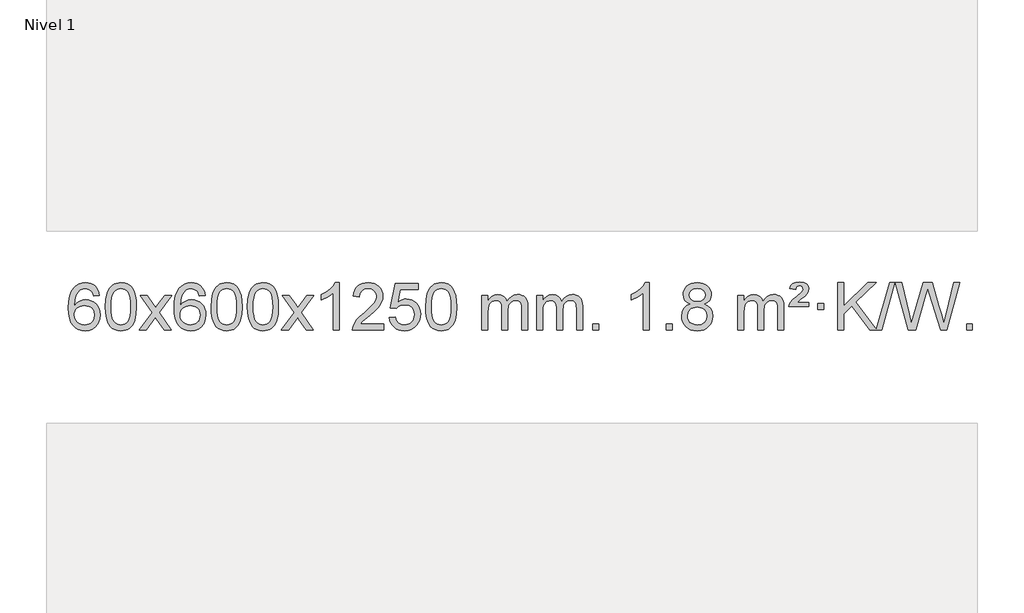
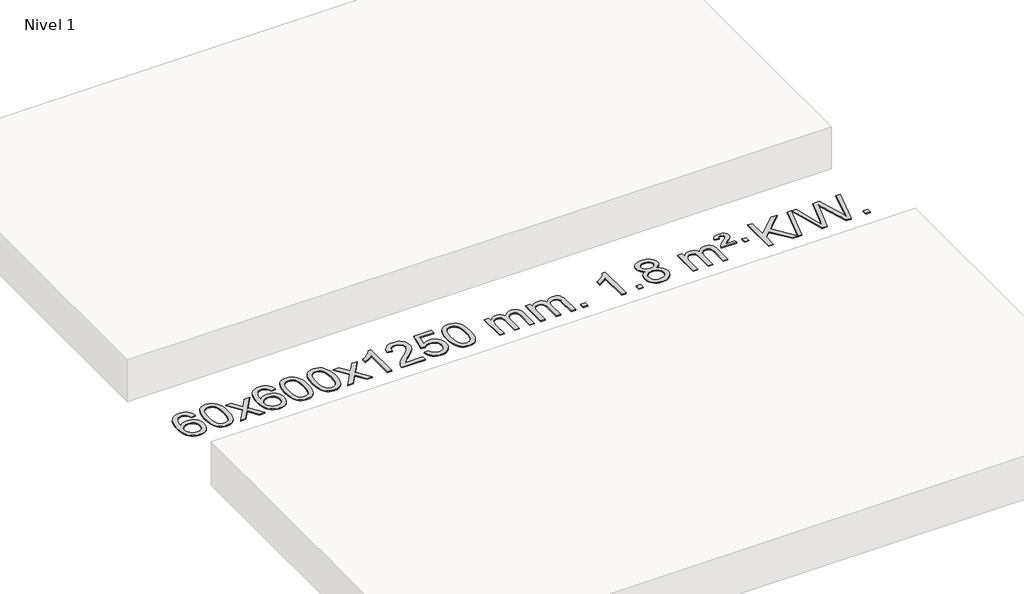
# One storey, part 7 of 7: 1 proxy.
"""IFC4 building model written with IfcOpenShell, lengths in millimetres."""

from ifc_helpers import new_model, si_unit, origin, origin_with_axes, place, context, project, spatial, polyline, outline, extrude, element, save

model = new_model("IFC4")

# Units and contexts
model_context = context("Model", 3, world=origin())
ifc_project = project(units=[si_unit("LENGTHUNIT", "METRE", prefix="MILLI")], contexts=[model_context])

# Site, building, storey
site = spatial("IfcSite", under=ifc_project)
building = spatial("IfcBuilding", under=site)
storey = spatial("IfcBuildingStorey", under=building, Name="Nivel 1", Elevation=0.0)

# Proxy
placement = place(None, origin())
element("IfcBuildingElementProxy", 1, Name="Texto de modelo 1", ObjectType="Texto de modelo 1", at=placement, inside=storey, context=model_context, shape_type="SweptSolid", body=[
    extrude(outline(polyline([(-12868.7310862, -889.5264458), (-12918.9592412, -895.8049652), (-12927.0526451, -870.9116168), (-12937.9910031, -853.9154687), (-12960.7751614, -838.2436957), (-12988.3172601, -833.0197713), (-13011.665504, -836.0609292), (-13033.6403219, -845.1844027), (-13052.5126682, -864.4001055), (-13067.9269238, -890.850821), (-13078.3379843, -928.2644199), (-13082.2007452, -980.3687731), (-13062.0530746, -956.8611137), (-13037.907753, -940.2941611), (-13011.113681, -930.4717119), (-12983.0197593, -927.1975621), (-12958.8867005, -929.4355109), (-12936.617577, -936.1493573), (-12916.212389, -947.3391013), (-12897.6711365, -963.004743), (-12882.2630122, -982.2143145), (-12871.2572092, -1004.0358482), (-12864.6537274, -1028.469344), (-12862.4525668, -1055.514802), (-12866.5973706, -1091.4813984), (-12879.031782, -1124.8237699), (-12898.7257315, -1153.1016326), (-12924.6491494, -1173.8747026), (-12955.6248134, -1186.6402078), (-12990.4755011, -1190.8953763), (-13020.4180298, -1188.0749476), (-13047.4604222, -1179.6136617), (-13071.6026781, -1165.5115186), (-13092.8447976, -1145.7685182), (-13110.1628426, -1119.5507947), (-13122.5328746, -1086.0244822), (-13129.9548939, -1045.1895807), (-13132.4289003, -997.0460903), (-13129.6820481, -943.0716702), (-13121.4414914, -897.006713), (-13107.7072302, -858.8512188), (-13088.4792646, -828.6051874), (-13067.6387496, -808.56175), (-13043.4750339, -794.2450091), (-13015.9881175, -785.6549645), (-12985.1780004, -782.7916163), (-12962.0443542, -784.5635812), (-12941.1057374, -789.879476), (-12922.3621497, -798.7393008), (-12905.8135913, -811.1430554), (-12891.9076519, -826.6738069), (-12881.0919212, -844.9146225), (-12873.3663993, -865.8655021), (-12868.7310862, -889.5264458)]), holes=[polyline([(-13082.2007452, -1054.7299871), (-13079.2944775, -1076.9868478), (-13070.5756742, -1098.2381644), (-13057.0376168, -1116.5096368), (-13039.6735866, -1129.8269651), (-13018.7165756, -1137.9571571), (-12994.3995757, -1140.6672212), (-12961.253408, -1135.0508894), (-12947.3382715, -1128.0304746), (-12935.1951, -1118.201894), (-12925.3450595, -1105.9636863), (-12918.3093164, -1091.7143904), (-12912.6807219, -1057.1825337), (-12918.23574, -1024.036366), (-12925.1795126, -1010.4155351), (-12934.9007944, -998.7628729), (-12947.0807541, -989.4278673), (-12961.4005608, -982.7600061), (-12996.4597149, -977.4257172), (-13029.5568317, -982.7600061), (-13057.2338205, -998.7628729), (-13068.1568501, -1010.2622509), (-13075.9590141, -1023.4232293), (-13080.6403124, -1038.245808), (-13082.2007452, -1054.7299871)])]), origin_with_axes(), (0.0, 0.0, 1.0), 10.0),
    extrude(outline(polyline([(-12818.5029311, -986.9415981), (-12814.8118484, -922.6235626), (-12803.7386004, -871.3285498), (-12785.3935515, -832.2717446), (-12773.5354886, -817.0383643), (-12759.8870665, -804.6683323), (-12744.4023002, -795.097269), (-12727.0352044, -788.2607953), (-12686.654024, -782.7916163), (-12655.7028855, -786.0289778), (-12627.9891085, -795.7410625), (-12604.8125428, -811.5477256), (-12587.4730381, -833.0688223), (-12574.3764391, -860.1204117), (-12563.9285904, -892.5185527), (-12557.0859853, -933.6600225), (-12554.805117, -986.9415981), (-12558.4594114, -1050.8917516), (-12569.4222949, -1102.0641372), (-12587.6569791, -1141.1577305), (-12599.487451, -1156.437096), (-12613.1266759, -1168.8715075), (-12628.6298363, -1178.5069501), (-12646.0521145, -1185.3894091), (-12686.654024, -1190.8953763), (-12714.3187501, -1188.5041433), (-12738.8442164, -1181.3304444), (-12760.2304231, -1169.3742795), (-12778.47737, -1152.6356488), (-12795.988553, -1122.3773547), (-12808.4965408, -1084.6755815), (-12816.0013335, -1039.5303293), (-12818.5029311, -986.9415981)]), holes=[polyline([(-12768.274776, -986.8434963), (-12766.803248, -1030.5080234), (-12762.3886641, -1065.8522861), (-12755.0310242, -1092.8762843), (-12744.7303283, -1111.5800181), (-12732.2713914, -1124.3056694), (-12718.4390284, -1133.3954204), (-12703.2332393, -1138.849271), (-12686.654024, -1140.6672212), (-12670.0748088, -1138.8431396), (-12654.8690196, -1133.3708949), (-12641.0366566, -1124.2504871), (-12628.5777197, -1111.4819162), (-12618.2770239, -1092.7475256), (-12610.919384, -1065.7296588), (-12606.5048, -1030.4283156), (-12605.033272, -986.8434963), (-12606.4557491, -944.3347317), (-12610.7231802, -909.6128027), (-12617.8355655, -882.6777093), (-12627.7929048, -863.5294515), (-12640.0433752, -850.1814664), (-12654.0351538, -840.6471914), (-12669.7682404, -834.9266264), (-12687.2426352, -833.0197713), (-12703.7360113, -834.6997658), (-12718.6842831, -839.7397491), (-12732.0874504, -848.1397213), (-12743.9455134, -859.8996825), (-12754.5895658, -880.7463289), (-12762.1924604, -908.8525133), (-12766.7541971, -944.2182358), (-12768.274776, -986.8434963)])]), origin_with_axes(), (0.0, 0.0, 1.0), 10.0),
    extrude(outline(polyline([(-12529.6910394, -1184.6168569), (-12422.3675987, -1036.2868364), (-12523.41252, -889.5264458), (-12462.981771, -889.5264458), (-12414.2251439, -960.1597889), (-12391.4655111, -993.5144231), (-12371.7470362, -966.2421045), (-12316.2213804, -889.5264458), (-12255.7906313, -889.5264458), (-12361.9368496, -1036.2868364), (-12259.7147059, -1184.6168569), (-12320.145455, -1184.6168569), (-12381.6553246, -1095.4422612), (-12392.9370391, -1079.1573516), (-12469.2602903, -1184.6168569), (-12529.6910394, -1184.6168569)])), origin_with_axes(), (0.0, 0.0, 1.0), 10.0),
    extrude(outline(polyline([(-11970.9028142, -889.5264458), (-12021.1309693, -895.8049652), (-12029.2243732, -870.9116168), (-12040.1627312, -853.9154687), (-12062.9468894, -838.2436957), (-12090.4889881, -833.0197713), (-12113.8372321, -836.0609292), (-12135.8120499, -845.1844027), (-12154.6843963, -864.4001055), (-12170.0986519, -890.850821), (-12180.5097123, -928.2644199), (-12184.3724733, -980.3687731), (-12164.2248027, -956.8611137), (-12140.0794811, -940.2941611), (-12113.2854091, -930.4717119), (-12085.1914874, -927.1975621), (-12061.0584285, -929.4355109), (-12038.7893051, -936.1493573), (-12018.3841171, -947.3391013), (-11999.8428645, -963.004743), (-11984.4347403, -982.2143145), (-11973.4289372, -1004.0358482), (-11966.8254554, -1028.469344), (-11964.6242948, -1055.514802), (-11968.7690986, -1091.4813984), (-11981.2035101, -1124.8237699), (-12000.8974596, -1153.1016326), (-12026.8208775, -1173.8747026), (-12057.7965415, -1186.6402078), (-12092.6472291, -1190.8953763), (-12122.5897579, -1188.0749476), (-12149.6321502, -1179.6136617), (-12173.7744061, -1165.5115186), (-12195.0165257, -1145.7685182), (-12212.3345706, -1119.5507947), (-12224.7046027, -1086.0244822), (-12232.1266219, -1045.1895807), (-12234.6006284, -997.0460903), (-12231.8537761, -943.0716702), (-12223.6132194, -897.006713), (-12209.8789583, -858.8512188), (-12190.6509927, -828.6051874), (-12169.8104776, -808.56175), (-12145.6467619, -794.2450091), (-12118.1598455, -785.6549645), (-12087.3497284, -782.7916163), (-12064.2160823, -784.5635812), (-12043.2774654, -789.879476), (-12024.5338777, -798.7393008), (-12007.9853193, -811.1430554), (-11994.0793799, -826.6738069), (-11983.2636492, -844.9146225), (-11975.5381274, -865.8655021), (-11970.9028142, -889.5264458)]), holes=[polyline([(-12184.3724733, -1054.7299871), (-12181.4662055, -1076.9868478), (-12172.7474022, -1098.2381644), (-12159.2093448, -1116.5096368), (-12141.8453146, -1129.8269651), (-12120.8883036, -1137.9571571), (-12096.5713038, -1140.6672212), (-12063.425136, -1135.0508894), (-12049.5099995, -1128.0304746), (-12037.366828, -1118.201894), (-12027.5167876, -1105.9636863), (-12020.4810444, -1091.7143904), (-12014.8524499, -1057.1825337), (-12020.407468, -1024.036366), (-12027.3512407, -1010.4155351), (-12037.0725224, -998.7628729), (-12049.2524821, -989.4278673), (-12063.5722888, -982.7600061), (-12098.6314429, -977.4257172), (-12131.7285598, -982.7600061), (-12159.4055485, -998.7628729), (-12170.3285781, -1010.2622509), (-12178.1307421, -1023.4232293), (-12182.8120405, -1038.245808), (-12184.3724733, -1054.7299871)])]), origin_with_axes(), (0.0, 0.0, 1.0), 10.0),
    extrude(outline(polyline([(-11920.6746591, -986.9415981), (-11916.9835765, -922.6235626), (-11905.9103284, -871.3285498), (-11887.5652796, -832.2717446), (-11875.7072166, -817.0383643), (-11862.0587946, -804.6683323), (-11846.5740283, -795.097269), (-11829.2069324, -788.2607953), (-11788.8257521, -782.7916163), (-11757.8746135, -786.0289778), (-11730.1608366, -795.7410625), (-11706.9842709, -811.5477256), (-11689.6447662, -833.0688223), (-11676.5481671, -860.1204117), (-11666.1003185, -892.5185527), (-11659.2577134, -933.6600225), (-11656.976845, -986.9415981), (-11660.6311395, -1050.8917516), (-11671.5940229, -1102.0641372), (-11689.8287072, -1141.1577305), (-11701.659179, -1156.437096), (-11715.298404, -1168.8715075), (-11730.8015644, -1178.5069501), (-11748.2238425, -1185.3894091), (-11788.8257521, -1190.8953763), (-11816.4904781, -1188.5041433), (-11841.0159444, -1181.3304444), (-11862.4021511, -1169.3742795), (-11880.6490981, -1152.6356488), (-11898.160281, -1122.3773547), (-11910.6682689, -1084.6755815), (-11918.1730616, -1039.5303293), (-11920.6746591, -986.9415981)]), holes=[polyline([(-11870.4465041, -986.8434963), (-11868.9749761, -1030.5080234), (-11864.5603921, -1065.8522861), (-11857.2027522, -1092.8762843), (-11846.9020564, -1111.5800181), (-11834.4431195, -1124.3056694), (-11820.6107564, -1133.3954204), (-11805.4049673, -1138.849271), (-11788.8257521, -1140.6672212), (-11772.2465368, -1138.8431396), (-11757.0407477, -1133.3708949), (-11743.2083847, -1124.2504871), (-11730.7494478, -1111.4819162), (-11720.4487519, -1092.7475256), (-11713.091112, -1065.7296588), (-11708.676528, -1030.4283156), (-11707.2050001, -986.8434963), (-11708.6274771, -944.3347317), (-11712.8949083, -909.6128027), (-11720.0072935, -882.6777093), (-11729.9646328, -863.5294515), (-11742.2151033, -850.1814664), (-11756.2068818, -840.6471914), (-11771.9399685, -834.9266264), (-11789.4143633, -833.0197713), (-11805.9077394, -834.6997658), (-11820.8560111, -839.7397491), (-11834.2591785, -848.1397213), (-11846.1172414, -859.8996825), (-11856.7612938, -880.7463289), (-11864.3641884, -908.8525133), (-11868.9259251, -944.2182358), (-11870.4465041, -986.8434963)])]), origin_with_axes(), (0.0, 0.0, 1.0), 10.0),
    extrude(outline(polyline([(-11613.0272093, -986.9415981), (-11609.3361266, -922.6235626), (-11598.2628786, -871.3285498), (-11579.9178297, -832.2717446), (-11568.0597668, -817.0383643), (-11554.4113447, -804.6683323), (-11538.9265784, -795.097269), (-11521.5594826, -788.2607953), (-11481.1783022, -782.7916163), (-11450.2271637, -786.0289778), (-11422.5133867, -795.7410625), (-11399.336821, -811.5477256), (-11381.9973163, -833.0688223), (-11368.9007173, -860.1204117), (-11358.4528686, -892.5185527), (-11351.6102635, -933.6600225), (-11349.3293952, -986.9415981), (-11352.9836896, -1050.8917516), (-11363.9465731, -1102.0641372), (-11382.1812573, -1141.1577305), (-11394.0117292, -1156.437096), (-11407.6509541, -1168.8715075), (-11423.1541145, -1178.5069501), (-11440.5763927, -1185.3894091), (-11481.1783022, -1190.8953763), (-11508.8430283, -1188.5041433), (-11533.3684946, -1181.3304444), (-11554.7547013, -1169.3742795), (-11573.0016482, -1152.6356488), (-11590.5128312, -1122.3773547), (-11603.020819, -1084.6755815), (-11610.5256117, -1039.5303293), (-11613.0272093, -986.9415981)]), holes=[polyline([(-11562.7990542, -986.8434963), (-11561.3275262, -1030.5080234), (-11556.9129423, -1065.8522861), (-11549.5553024, -1092.8762843), (-11539.2546065, -1111.5800181), (-11526.7956696, -1124.3056694), (-11512.9633066, -1133.3954204), (-11497.7575175, -1138.849271), (-11481.1783022, -1140.6672212), (-11464.599087, -1138.8431396), (-11449.3932978, -1133.3708949), (-11435.5609348, -1124.2504871), (-11423.1019979, -1111.4819162), (-11412.8013021, -1092.7475256), (-11405.4436622, -1065.7296588), (-11401.0290782, -1030.4283156), (-11399.5575502, -986.8434963), (-11400.9800273, -944.3347317), (-11405.2474584, -909.6128027), (-11412.3598437, -882.6777093), (-11422.317183, -863.5294515), (-11434.5676534, -850.1814664), (-11448.559432, -840.6471914), (-11464.2925187, -834.9266264), (-11481.7669134, -833.0197713), (-11498.2602895, -834.6997658), (-11513.2085613, -839.7397491), (-11526.6117286, -848.1397213), (-11538.4697916, -859.8996825), (-11549.113844, -880.7463289), (-11556.7167386, -908.8525133), (-11561.2784753, -944.2182358), (-11562.7990542, -986.8434963)])]), origin_with_axes(), (0.0, 0.0, 1.0), 10.0),
    extrude(outline(polyline([(-11324.2153176, -1184.6168569), (-11216.8918769, -1036.2868364), (-11317.9367982, -889.5264458), (-11257.5060492, -889.5264458), (-11208.7494221, -960.1597889), (-11185.9897893, -993.5144231), (-11166.2713144, -966.2421045), (-11110.7456586, -889.5264458), (-11050.3149095, -889.5264458), (-11156.4611278, -1036.2868364), (-11054.2389841, -1184.6168569), (-11114.6697332, -1184.6168569), (-11176.1796028, -1095.4422612), (-11187.4613173, -1079.1573516), (-11263.7845685, -1184.6168569), (-11324.2153176, -1184.6168569)])), origin_with_axes(), (0.0, 0.0, 1.0), 10.0),
    extrude(outline(polyline([(-10834.4908056, -1184.6168569), (-10884.7189607, -1184.6168569), (-10884.7189607, -871.4757026), (-10905.6882344, -888.4350626), (-10932.2983654, -905.3698971), (-10985.1752709, -930.7292293), (-10985.1752709, -883.2479264), (-10945.7260583, -861.7881434), (-10911.5498209, -836.2571329), (-10884.6085961, -809.1074417), (-10866.8644212, -782.7916163), (-10834.4908056, -782.7916163), (-10834.4908056, -1184.6168569)])), origin_with_axes(), (0.0, 0.0, 1.0), 10.0),
    extrude(outline(polyline([(-10457.7796426, -1134.3887018), (-10457.7796426, -1184.6168569), (-10721.4774567, -1184.6168569), (-10720.3738107, -1166.9339956), (-10716.0818541, -1149.9868984), (-10703.6964936, -1122.9230463), (-10685.572174, -1096.6685346), (-10659.3544505, -1069.1877495), (-10622.6888783, -1038.4450775), (-10568.4875977, -990.301587), (-10535.9668293, -954.7641863), (-10519.7064451, -925.9222379), (-10514.286317, -897.8651044), (-10519.3998768, -872.7142386), (-10534.740556, -851.8062786), (-10558.3217919, -837.7163982), (-10588.1570217, -833.0197713), (-10619.4883049, -837.6060336), (-10643.8298303, -851.3648202), (-10659.5383915, -873.2170107), (-10664.9707823, -902.0834846), (-10715.1989373, -895.8049652), (-10710.8793896, -869.8754159), (-10703.0220433, -847.2200164), (-10691.6268985, -827.8387666), (-10676.6939552, -811.7316666), (-10658.5665699, -799.0703946), (-10637.5880991, -790.0266288), (-10613.7585429, -784.6003694), (-10587.0779012, -782.7916163), (-10560.1581362, -784.8027045), (-10536.1998212, -790.8359692), (-10515.2029563, -800.8914104), (-10497.1675415, -814.9690281), (-10482.682188, -832.02649), (-10472.3355069, -851.0214636), (-10466.1274982, -871.9539492), (-10464.058162, -894.8239465), (-10466.2899794, -918.8466408), (-10472.9854317, -942.4524022), (-10484.8680202, -966.4628337), (-10502.661246, -991.6995386), (-10531.0249478, -1021.829074), (-10574.6189643, -1060.5179972), (-10632.400963, -1108.8331659), (-10655.0624939, -1134.3887018), (-10457.7796426, -1134.3887018)])), origin_with_axes(), (0.0, 0.0, 1.0), 10.0),
    extrude(outline(polyline([(-10407.5514875, -1077.8820273), (-10357.3233324, -1071.603508), (-10348.1017571, -1101.7575688), (-10332.0130512, -1123.3522419), (-10309.1307911, -1136.3384764), (-10279.5285532, -1140.6672212), (-10260.3986894, -1139.1619707), (-10243.5251686, -1134.6462192), (-10228.9079907, -1127.1199667), (-10216.5471556, -1116.5832132), (-10206.718575, -1103.5571249), (-10199.6981602, -1088.5628679), (-10194.0818284, -1052.6698479), (-10199.342541, -1018.8737553), (-10205.9184316, -1004.9555532), (-10215.1246786, -993.0239138), (-10226.9919386, -983.4528505), (-10241.5508686, -976.6163768), (-10278.7437383, -971.1471978), (-10303.1097891, -973.3299643), (-10322.8405268, -979.8782638), (-10338.5981389, -989.9091796), (-10351.044813, -1002.5397947), (-10401.2729681, -996.2612753), (-10357.3233324, -789.0701357), (-10162.6892315, -789.0701357), (-10162.6892315, -839.2982907), (-10316.7091602, -839.2982907), (-10338.1934687, -949.9571949), (-10320.4676879, -937.2530033), (-10302.3127114, -928.1785808), (-10283.7285393, -922.7339272), (-10264.7151715, -920.9190427), (-10240.2540845, -923.1692543), (-10217.7856917, -929.9198889), (-10197.3099929, -941.1709466), (-10178.8269884, -956.9224273), (-10163.5261631, -976.2117066), (-10152.5970021, -998.0761598), (-10146.0395056, -1022.5157871), (-10143.8536734, -1049.5305882), (-10145.821842, -1075.552108), (-10151.7263481, -1099.7587433), (-10161.5671914, -1122.1504941), (-10175.3443722, -1142.7273604), (-10196.215544, -1163.8008673), (-10220.5693321, -1178.8533723), (-10248.4057364, -1187.8848753), (-10279.7247569, -1190.8953763), (-10305.6451092, -1188.9609301), (-10329.0577325, -1183.1575916), (-10349.9626268, -1173.4853608), (-10368.3597923, -1159.9442377), (-10383.666749, -1143.2086726), (-10395.3010171, -1123.9531159), (-10403.2625966, -1102.1775674), (-10407.5514875, -1077.8820273)])), origin_with_axes(), (0.0, 0.0, 1.0), 10.0),
    extrude(outline(polyline([(-10099.9040377, -986.9415981), (-10096.212955, -922.6235626), (-10085.1397069, -871.3285498), (-10066.7946581, -832.2717446), (-10054.9365951, -817.0383643), (-10041.2881731, -804.6683323), (-10025.8034068, -795.097269), (-10008.4363109, -788.2607953), (-9968.0551306, -782.7916163), (-9937.1039921, -786.0289778), (-9909.3902151, -795.7410625), (-9886.2136494, -811.5477256), (-9868.8741447, -833.0688223), (-9855.7775457, -860.1204117), (-9845.329697, -892.5185527), (-9838.4870919, -933.6600225), (-9836.2062235, -986.9415981), (-9839.860518, -1050.8917516), (-9850.8234015, -1102.0641372), (-9869.0580857, -1141.1577305), (-9880.8885575, -1156.437096), (-9894.5277825, -1168.8715075), (-9910.0309429, -1178.5069501), (-9927.4532211, -1185.3894091), (-9968.0551306, -1190.8953763), (-9995.7198566, -1188.5041433), (-10020.245323, -1181.3304444), (-10041.6315296, -1169.3742795), (-10059.8784766, -1152.6356488), (-10077.3896596, -1122.3773547), (-10089.8976474, -1084.6755815), (-10097.4024401, -1039.5303293), (-10099.9040377, -986.9415981)]), holes=[polyline([(-10049.6758826, -986.8434963), (-10048.2043546, -1030.5080234), (-10043.7897707, -1065.8522861), (-10036.4321308, -1092.8762843), (-10026.1314349, -1111.5800181), (-10013.672498, -1124.3056694), (-9999.840135, -1133.3954204), (-9984.6343459, -1138.849271), (-9968.0551306, -1140.6672212), (-9951.4759154, -1138.8431396), (-9936.2701262, -1133.3708949), (-9922.4377632, -1124.2504871), (-9909.9788263, -1111.4819162), (-9899.6781304, -1092.7475256), (-9892.3204905, -1065.7296588), (-9887.9059066, -1030.4283156), (-9886.4343786, -986.8434963), (-9887.8568557, -944.3347317), (-9892.1242868, -909.6128027), (-9899.236672, -882.6777093), (-9909.1940114, -863.5294515), (-9921.4444818, -850.1814664), (-9935.4362604, -840.6471914), (-9951.169347, -834.9266264), (-9968.6437418, -833.0197713), (-9985.1371179, -834.6997658), (-10000.0853897, -839.7397491), (-10013.488557, -848.1397213), (-10025.34662, -859.8996825), (-10035.9906724, -880.7463289), (-10043.5935669, -908.8525133), (-10048.1553037, -944.2182358), (-10049.6758826, -986.8434963)])]), origin_with_axes(), (0.0, 0.0, 1.0), 10.0),
    extrude(outline(polyline([(-9622.7365645, -1184.6168569), (-9622.7365645, -889.5264458), (-9572.5084094, -889.5264458), (-9572.5084094, -938.0868692), (-9557.4007221, -915.7809575), (-9537.9765528, -898.3065628), (-9514.8980889, -887.0125855), (-9488.8275182, -883.2479264), (-9460.8930121, -887.0861619), (-9438.5012613, -898.6008684), (-9421.7748932, -917.0317563), (-9410.8365352, -941.6185363), (-9392.5282746, -916.0813945), (-9371.64484, -897.8405789), (-9348.1862315, -886.8960895), (-9322.1524489, -883.2479264), (-9302.0446322, -884.7654397), (-9284.3954935, -889.3179793), (-9269.2050328, -896.9055455), (-9256.4732501, -907.5281381), (-9246.4086118, -921.3083845), (-9239.2195845, -938.368912), (-9234.9061681, -958.7097207), (-9233.4683626, -982.3308105), (-9233.4683626, -1184.6168569), (-9283.6965177, -1184.6168569), (-9283.6965177, -1003.9132208), (-9284.8614774, -978.860457), (-9288.3563563, -961.9746734), (-9294.9046558, -950.410916), (-9305.2298772, -941.3242307), (-9318.5104172, -935.4381188), (-9333.9246728, -933.4760815), (-9361.1356777, -938.5038021), (-9383.318962, -953.5869639), (-9391.924335, -965.1568526), (-9398.07103, -979.7556365), (-9402.988386, -1018.0398895), (-9402.988386, -1184.6168569), (-9453.2165411, -1184.6168569), (-9453.2165411, -998.3214145), (-9456.1228088, -969.9209245), (-9464.8416121, -949.6628893), (-9480.1822913, -937.5227834), (-9502.9541868, -933.4760815), (-9522.3047798, -936.1738828), (-9540.1347938, -944.2672867), (-9554.8500736, -957.5600894), (-9564.8564639, -975.8560873), (-9570.595423, -1001.239945), (-9572.5084094, -1035.7963271), (-9572.5084094, -1184.6168569), (-9622.7365645, -1184.6168569)])), origin_with_axes(), (0.0, 0.0, 1.0), 10.0),
    extrude(outline(polyline([(-9158.12613, -1184.6168569), (-9158.12613, -889.5264458), (-9107.8979749, -889.5264458), (-9107.8979749, -938.0868692), (-9092.7902877, -915.7809575), (-9073.3661183, -898.3065628), (-9050.2876545, -887.0125855), (-9024.2170838, -883.2479264), (-8996.2825776, -887.0861619), (-8973.8908268, -898.6008684), (-8957.1644588, -917.0317563), (-8946.2261008, -941.6185363), (-8927.9178402, -916.0813945), (-8907.0344056, -897.8405789), (-8883.575797, -886.8960895), (-8857.5420145, -883.2479264), (-8837.4341978, -884.7654397), (-8819.7850591, -889.3179793), (-8804.5945983, -896.9055455), (-8791.8628156, -907.5281381), (-8781.7981774, -921.3083845), (-8774.6091501, -938.368912), (-8770.2957337, -958.7097207), (-8768.8579282, -982.3308105), (-8768.8579282, -1184.6168569), (-8819.0860833, -1184.6168569), (-8819.0860833, -1003.9132208), (-8820.2510429, -978.860457), (-8823.7459219, -961.9746734), (-8830.2942214, -950.410916), (-8840.6194427, -941.3242307), (-8853.8999827, -935.4381188), (-8869.3142383, -933.4760815), (-8896.5252433, -938.5038021), (-8918.7085276, -953.5869639), (-8927.3139006, -965.1568526), (-8933.4605956, -979.7556365), (-8938.3779516, -1018.0398895), (-8938.3779516, -1184.6168569), (-8988.6061066, -1184.6168569), (-8988.6061066, -998.3214145), (-8991.5123744, -969.9209245), (-9000.2311777, -949.6628893), (-9015.5718569, -937.5227834), (-9038.3437524, -933.4760815), (-9057.6943453, -936.1738828), (-9075.5243594, -944.2672867), (-9090.2396392, -957.5600894), (-9100.2460294, -975.8560873), (-9105.9849886, -1001.239945), (-9107.8979749, -1035.7963271), (-9107.8979749, -1184.6168569), (-9158.12613, -1184.6168569)])), origin_with_axes(), (0.0, 0.0, 1.0), 10.0),
    extrude(outline(polyline([(-8680.9586568, -1184.6168569), (-8680.9586568, -1134.3887018), (-8630.7305017, -1134.3887018), (-8630.7305017, -1184.6168569), (-8680.9586568, -1184.6168569)])), origin_with_axes(), (0.0, 0.0, 1.0), 10.0),
    extrude(outline(polyline([(-8203.7911836, -1184.6168569), (-8254.0193387, -1184.6168569), (-8254.0193387, -871.4757026), (-8274.9886124, -888.4350626), (-8301.5987434, -905.3698971), (-8354.4756488, -930.7292293), (-8354.4756488, -883.2479264), (-8315.0264362, -861.7881434), (-8280.8501989, -836.2571329), (-8253.9089741, -809.1074417), (-8236.1647992, -782.7916163), (-8203.7911836, -782.7916163), (-8203.7911836, -1184.6168569)])), origin_with_axes(), (0.0, 0.0, 1.0), 10.0),
    extrude(outline(polyline([(-8059.3852378, -1184.6168569), (-8059.3852378, -1134.3887018), (-8009.1570827, -1134.3887018), (-8009.1570827, -1184.6168569), (-8059.3852378, -1184.6168569)])), origin_with_axes(), (0.0, 0.0, 1.0), 10.0),
    extrude(outline(polyline([(-7854.3523391, -963.2990486), (-7881.244513, -950.0552967), (-7900.1168593, -932.1026554), (-7911.2636838, -909.8090065), (-7914.9792919, -883.542232), (-7912.9559409, -863.0573363), (-7906.885888, -844.2769604), (-7896.7691332, -827.2011045), (-7882.6056763, -811.8297684), (-7865.0760993, -799.1255769), (-7844.8609836, -790.0511543), (-7821.9603294, -784.6065008), (-7796.3741367, -782.7916163), (-7770.6653166, -784.6494203), (-7747.5929841, -790.2228326), (-7727.1571393, -799.511853), (-7709.3577821, -812.5164815), (-7694.9368079, -828.1882545), (-7684.636112, -845.4787082), (-7678.4556945, -864.3878428), (-7676.3955553, -884.9156581), (-7680.0621125, -910.336304), (-7691.0617842, -932.2498082), (-7709.5171976, -950.0920849), (-7735.5509801, -963.2990486), (-7704.6366298, -979.228339), (-7682.1345144, -1002.6869475), (-7668.412516, -1032.5467028), (-7663.8385165, -1067.6794333), (-7666.1071222, -1092.7321972), (-7672.9129391, -1115.7002964), (-7684.2559673, -1136.583731), (-7700.1362067, -1155.382501), (-7719.7197916, -1170.9193839), (-7742.1728561, -1182.0171574), (-7767.4954001, -1188.6758215), (-7795.6874236, -1190.8953763), (-7823.8794472, -1188.6666245), (-7849.2019912, -1181.9803692), (-7871.6550556, -1170.8366105), (-7891.2386405, -1155.2353482), (-7907.11888, -1136.3047539), (-7918.4619081, -1115.1729989), (-7925.2677251, -1091.8400834), (-7927.5363307, -1066.3060072), (-7922.7783902, -1029.8121133), (-7908.5045688, -999.7929425), (-7885.4506304, -977.2785644), (-7854.3523391, -963.2990486)]), holes=[polyline([(-7877.3081756, -1064.5401736), (-7875.2112482, -1083.7558765), (-7868.9204661, -1102.3584427), (-7857.3076578, -1118.5820387), (-7839.2446518, -1130.6608309), (-7817.6131905, -1138.1656236), (-7795.2950162, -1140.6672212), (-7761.1065161, -1135.4065086), (-7747.2128394, -1128.830618), (-7735.4528783, -1119.6243711), (-7719.4132233, -1095.7243041), (-7714.0666716, -1066.1098035), (-7719.5849015, -1035.9925308), (-7736.1395913, -1011.5651663), (-7748.2183835, -1002.1228618), (-7762.3818403, -995.3783586), (-7796.9627479, -989.982756), (-7830.6730014, -995.3047822), (-7844.4103282, -1001.9573149), (-7856.0691218, -1011.2708607), (-7871.9984122, -1035.2322414), (-7877.3081756, -1064.5401736)]), polyline([(-7864.7511368, -885.01376), (-7860.2997647, -906.9395269), (-7846.9456483, -924.4507099), (-7825.081195, -935.9286281), (-7795.0988124, -939.7546009), (-7765.8154056, -935.9531536), (-7744.2820462, -924.5488117), (-7731.0382943, -907.62624), (-7726.6237104, -887.2701029), (-7731.1854471, -866.1414136), (-7744.8706574, -848.6670189), (-7766.6983224, -836.9315832), (-7795.6874236, -833.0197713), (-7824.8604658, -836.8457441), (-7846.6513427, -848.3236623), (-7860.2261883, -865.1481323), (-7864.7511368, -885.01376)])]), origin_with_axes(), (0.0, 0.0, 1.0), 10.0),
    extrude(outline(polyline([(-7450.3688575, -1184.6168569), (-7450.3688575, -889.5264458), (-7400.1407024, -889.5264458), (-7400.1407024, -938.0868692), (-7385.0330151, -915.7809575), (-7365.6088458, -898.3065628), (-7342.530382, -887.0125855), (-7316.4598112, -883.2479264), (-7288.5253051, -887.0861619), (-7266.1335543, -898.6008684), (-7249.4071862, -917.0317563), (-7238.4688283, -941.6185363), (-7220.1605676, -916.0813945), (-7199.277133, -897.8405789), (-7175.8185245, -886.8960895), (-7149.784742, -883.2479264), (-7129.6769252, -884.7654397), (-7112.0277865, -889.3179793), (-7096.8373258, -896.9055455), (-7084.1055431, -907.5281381), (-7074.0409048, -921.3083845), (-7066.8518775, -938.368912), (-7062.5384611, -958.7097207), (-7061.1006556, -982.3308105), (-7061.1006556, -1184.6168569), (-7111.3288107, -1184.6168569), (-7111.3288107, -1003.9132208), (-7112.4937704, -978.860457), (-7115.9886493, -961.9746734), (-7122.5369488, -950.410916), (-7132.8621702, -941.3242307), (-7146.1427102, -935.4381188), (-7161.5569658, -933.4760815), (-7188.7679707, -938.5038021), (-7210.951255, -953.5869639), (-7219.556628, -965.1568526), (-7225.703323, -979.7556365), (-7230.620679, -1018.0398895), (-7230.620679, -1184.6168569), (-7280.8488341, -1184.6168569), (-7280.8488341, -998.3214145), (-7283.7551019, -969.9209245), (-7292.4739051, -949.6628893), (-7307.8145843, -937.5227834), (-7330.5864798, -933.4760815), (-7349.9370728, -936.1738828), (-7367.7670868, -944.2672867), (-7382.4823666, -957.5600894), (-7392.4887569, -975.8560873), (-7398.227716, -1001.239945), (-7400.1407024, -1035.7963271), (-7400.1407024, -1184.6168569), (-7450.3688575, -1184.6168569)])), origin_with_axes(), (0.0, 0.0, 1.0), 10.0),
    extrude(outline(polyline([(-7017.15102, -983.7042366), (-7013.3250472, -967.8853108), (-7004.9863887, -952.0173341), (-6983.4775547, -926.878731), (-6951.520872, -899.1404286), (-6907.3750326, -861.7636179), (-6900.2381219, -850.2366487), (-6897.8591517, -838.4153739), (-6899.7476126, -826.324319), (-6905.4129953, -816.538658), (-6914.7817234, -810.0639348), (-6927.7802206, -807.9056938), (-6940.214632, -809.5243746), (-6949.0683254, -814.3804169), (-6955.4939976, -823.8472469), (-6960.6443455, -839.2982907), (-7010.8725006, -833.0197713), (-7000.0322444, -807.8075919), (-6983.4039783, -790.247358), (-6959.6388014, -779.9466622), (-6927.3878131, -776.5130969), (-6891.6051577, -780.645638), (-6866.8589622, -793.0432612), (-6852.437988, -811.3760473), (-6847.6309966, -833.3140769), (-6851.7267495, -856.2208625), (-6864.0140081, -877.8523238), (-6884.5418234, -897.6689006), (-6921.0111919, -925.7260341), (-6946.6157788, -952.3116396), (-6847.6309966, -952.3116396), (-6847.6309966, -983.7042366), (-7017.15102, -983.7042366)])), origin_with_axes(), (0.0, 0.0, 1.0), 10.0),
    extrude(outline(polyline([(-6772.288764, -1008.8183141), (-6772.288764, -958.590159), (-6722.0606089, -958.590159), (-6722.0606089, -1008.8183141), (-6772.288764, -1008.8183141)])), origin_with_axes(), (0.0, 0.0, 1.0), 10.0),
    extrude(outline(polyline([(-6331.4189809, -1184.6168569), (-6484.8502984, -981.938403), (-6552.5405855, -1046.4894304), (-6552.5405855, -1184.6168569), (-6602.7687406, -1184.6168569), (-6602.7687406, -782.7916163), (-6552.5405855, -782.7916163), (-6552.5405855, -979.4858564), (-6346.5266682, -782.7916163), (-6276.2857326, -782.7916163), (-6449.2393213, -947.9951576), (-6274.5857114, -1178.5723371), (-6163.2723837, -782.7916163), (-6117.9493219, -782.7916163), (-6230.9626708, -1184.6168569), (-6270.0072132, -1184.6168569), (-6276.2857326, -1184.6168569), (-6331.4189809, -1184.6168569)])), origin_with_axes(), (0.0, 0.0, 1.0), 10.0),
    extrude(outline(polyline([(-6003.464445, -1184.6168569), (-6113.0442286, -782.7916163), (-6061.2464437, -782.7916163), (-5997.6764349, -1046.8818379), (-5978.0560618, -1128.404488), (-5957.0622627, -1056.299617), (-5877.403548, -782.7916163), (-5802.7480284, -782.7916163), (-5744.8679278, -981.0554862), (-5720.0726814, -1054.6318852), (-5701.8012089, -1128.404488), (-5682.7694471, -1049.2362826), (-5618.6108271, -782.7916163), (-5566.8130422, -782.7916163), (-5676.4909277, -1184.6168569), (-5730.152648, -1184.6168569), (-5826.4886798, -874.6149623), (-5839.9286354, -831.3520396), (-5855.0363227, -883.4441302), (-5942.8374922, -1184.6168569), (-6003.464445, -1184.6168569)])), origin_with_axes(), (0.0, 0.0, 1.0), 10.0),
    extrude(outline(polyline([(-5510.3063677, -1184.6168569), (-5510.3063677, -1134.3887018), (-5460.0782126, -1134.3887018), (-5460.0782126, -1184.6168569), (-5510.3063677, -1184.6168569)])), origin_with_axes(), (0.0, 0.0, 1.0), 10.0),
])

save(model, "model.ifc")
